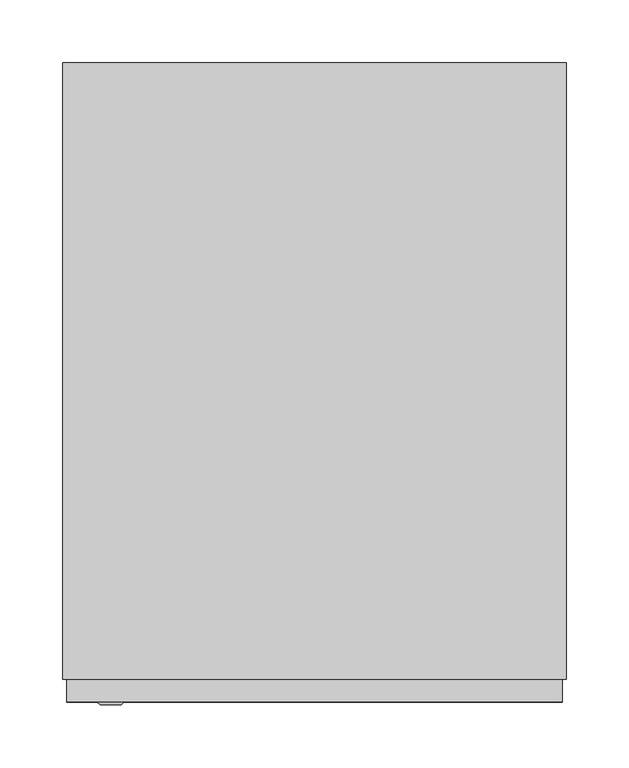
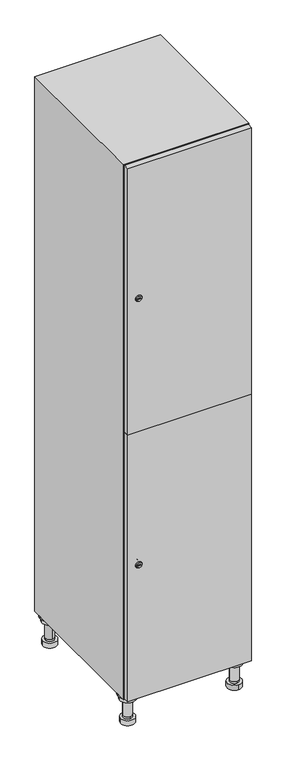
"""IFC4 building model written with IfcOpenShell, lengths in millimetres: furniture geometry."""

from ifc_helpers import new_model, si_unit, point, frame, frame_2d, origin, place, context, project, spatial, polyline, circle_curve, trimmed, segment, composite_curve, outline, extrude, faceted_brep, source, transform, mapped, element, save
from ifc_brep_helpers import plane_surface, cylinder_surface, revolved_surface, advanced_brep


def furniture_39a42976(model_context):
    return source(origin(), model_context, "Body", "SolidModel", [
        advanced_brep(
        [(170.0, -201.0, 22.0), (170.0, -201.5, 16.0), (170.0, -228.5, 16.0), (170.0, -229.0, 22.0), (156.0, -215.0, 22.0), (184.0, -215.0, 22.0), (170.0, -192.5, 16.0), (170.0, -237.5, 16.0), (170.0, -192.5, 0.0), (170.0, -237.5, 0.0), (184.0, -215.0, 78.0), (156.0, -215.0, 78.0), (195.0, -215.0, 78.0), (145.0, -215.0, 78.0), (200.0, -215.0, 94.0), (140.0, -215.0, 94.0), (145.0, -215.0, 94.0), (195.0, -215.0, 94.0), (200.0, -215.0, 100.0), (140.0, -215.0, 100.0)],
        [
            (0, 1),
            (1, 2, circle_curve(frame((170.0, -215.0, 16.0), z_axis=(0.0, 0.0, 1.0), x_axis=(0.0, -1.0, 0.0)), 13.5)),
            (2, 3),
            (3, 4, circle_curve(frame((170.0, -215.0, 22.0), z_axis=(0.0, 0.0, -1.0), x_axis=(0.0, -1.0, 0.0)), 14.0)),
            (4, 0, circle_curve(frame((170.0, -215.0, 22.0), z_axis=(0.0, 0.0, -1.0), x_axis=(0.0, -1.0, 0.0)), 14.0)),
            (0, 5, circle_curve(frame((170.0, -215.0, 22.0), z_axis=(0.0, 0.0, -1.0), x_axis=(0.0, 1.0, 0.0)), 14.0)),
            (5, 3, circle_curve(frame((170.0, -215.0, 22.0), z_axis=(0.0, 0.0, -1.0), x_axis=(0.0, 1.0, 0.0)), 14.0)),
            (2, 1, circle_curve(frame((170.0, -215.0, 16.0), z_axis=(0.0, 0.0, 1.0), x_axis=(0.0, 1.0, 0.0)), 13.5)),
            (6, 7, circle_curve(frame((170.0, -215.0, 16.0), z_axis=(0.0, 0.0, 1.0), x_axis=(0.0, -1.0, 0.0)), 22.5)),
            (7, 6, circle_curve(frame((170.0, -215.0, 16.0), z_axis=(0.0, 0.0, 1.0), x_axis=(0.0, -1.0, 0.0)), 22.5)),
            (8, 9, circle_curve(frame((170.0, -215.0, 0.0), z_axis=(0.0, 0.0, -1.0), x_axis=(0.0, -1.0, 0.0)), 22.5)),
            (9, 8, circle_curve(frame((170.0, -215.0, 0.0), z_axis=(0.0, 0.0, -1.0), x_axis=(0.0, -1.0, 0.0)), 22.5)),
            (6, 8),
            (9, 7),
            (5, 10),
            (10, 11, circle_curve(frame((170.0, -215.0, 78.0), z_axis=(0.0, 0.0, -1.0), x_axis=(-1.0, 0.0, 0.0)), 14.0)),
            (11, 4),
            (11, 10, circle_curve(frame((170.0, -215.0, 78.0), z_axis=(0.0, 0.0, -1.0), x_axis=(-1.0, 0.0, 0.0)), 14.0)),
            (12, 13, circle_curve(frame((170.0, -215.0, 78.0), z_axis=(0.0, 0.0, -1.0), x_axis=(-1.0, 0.0, 0.0)), 25.0)),
            (13, 12, circle_curve(frame((170.0, -215.0, 78.0), z_axis=(0.0, 0.0, -1.0), x_axis=(-1.0, 0.0, 0.0)), 25.0)),
            (14, 15, circle_curve(frame((170.0, -215.0, 94.0), z_axis=(0.0, 0.0, -1.0), x_axis=(-1.0, 0.0, 0.0)), 30.0)),
            (15, 14, circle_curve(frame((170.0, -215.0, 94.0), z_axis=(0.0, 0.0, -1.0), x_axis=(-1.0, 0.0, 0.0)), 30.0)),
            (16, 17, circle_curve(frame((170.0, -215.0, 94.0), z_axis=(0.0, 0.0, 1.0), x_axis=(-1.0, 0.0, 0.0)), 25.0)),
            (17, 16, circle_curve(frame((170.0, -215.0, 94.0), z_axis=(0.0, 0.0, 1.0), x_axis=(-1.0, 0.0, 0.0)), 25.0)),
            (18, 19, circle_curve(frame((170.0, -215.0, 100.0), z_axis=(0.0, 0.0, 1.0), x_axis=(-1.0, 0.0, 0.0)), 30.0)),
            (19, 18, circle_curve(frame((170.0, -215.0, 100.0), z_axis=(0.0, 0.0, 1.0), x_axis=(-1.0, 0.0, 0.0)), 30.0)),
            (14, 18),
            (19, 15),
            (12, 17),
            (16, 13),
        ],
        [
            revolved_surface(polyline([(170.0, -201.5, 16.0), (170.0, -201.0, 22.0)]), (170.0, -215.0, -146.0), (0.0, 0.0, 1.0)),
            plane_surface(frame((170.0, 0.0, 16.0), z_axis=(0.0, 0.0, 1.0), x_axis=(0.0, -1.0, 0.0))),
            plane_surface(frame((170.0, 0.0, 0.0), z_axis=(0.0, 0.0, -1.0), x_axis=(0.0, -1.0, 0.0))),
            cylinder_surface(frame((170.0, -215.0, 16.0), z_axis=(0.0, 0.0, 1.0), x_axis=(0.0, -1.0, 0.0)), 22.5),
            cylinder_surface(frame((170.0, -215.0, 22.0), z_axis=(0.0, 0.0, -1.0), x_axis=(-1.0, 0.0, 0.0)), 14.0),
            plane_surface(frame((170.0, 0.0, 78.0), z_axis=(0.0, 0.0, -1.0), x_axis=(0.0, -1.0, 0.0))),
            plane_surface(frame((170.0, 0.0, 94.0), z_axis=(0.0, 0.0, -1.0), x_axis=(0.0, -1.0, 0.0))),
            plane_surface(frame((170.0, 0.0, 100.0), z_axis=(0.0, 0.0, 1.0), x_axis=(0.0, -1.0, 0.0))),
            cylinder_surface(frame((170.0, -215.0, 94.0), z_axis=(0.0, 0.0, -1.0), x_axis=(-1.0, 0.0, 0.0)), 30.0),
            cylinder_surface(frame((170.0, -215.0, 78.0), z_axis=(0.0, 0.0, -1.0), x_axis=(-1.0, 0.0, 0.0)), 25.0),
        ],
        [
            (0, [[1, 2, 3, 4, 5]]),
            (0, [[-1, 6, 7, -3, 8]]),
            (1, [[9, 10], [-2, -8]]),
            (2, [[11, 12]]),
            (3, [[-9, 13, -12, 14]]),
            (3, [[-10, -14, -11, -13]]),
            (4, [[15, 16, 17, -4, -7]]),
            (4, [[-15, -6, -5, -17, 18]]),
            (5, [[19, 20], [-16, -18]]),
            (6, [[21, 22], [23, 24]]),
            (7, [[25, 26]]),
            (8, [[-21, 27, -26, 28]]),
            (8, [[-22, -28, -25, -27]]),
            (9, [[-19, 29, -23, 30]]),
            (9, [[-20, -30, -24, -29]]),
        ],
    ),
        advanced_brep(
        [(-170.0, -201.0, 22.0), (-170.0, -201.5, 16.0), (-170.0, -228.5, 16.0), (-170.0, -229.0, 22.0), (-184.0, -215.0, 22.0), (-156.0, -215.0, 22.0), (-147.5, -215.0, 0.0), (-192.5, -215.0, 0.0), (-147.5, -215.0, 16.0), (-192.5, -215.0, 16.0), (-156.0, -215.0, 78.0), (-184.0, -215.0, 78.0), (-145.0, -215.0, 78.0), (-195.0, -215.0, 78.0), (-140.0, -215.0, 94.0), (-200.0, -215.0, 94.0), (-195.0, -215.0, 94.0), (-145.0, -215.0, 94.0), (-140.0, -215.0, 100.0), (-200.0, -215.0, 100.0)],
        [
            (0, 1),
            (1, 2, circle_curve(frame((-170.0, -215.0, 16.0), z_axis=(0.0, 0.0, 1.0), x_axis=(0.0, -1.0, 0.0)), 13.5)),
            (2, 3),
            (3, 4, circle_curve(frame((-170.0, -215.0, 22.0), z_axis=(0.0, 0.0, -1.0), x_axis=(0.0, -1.0, 0.0)), 14.0)),
            (4, 0, circle_curve(frame((-170.0, -215.0, 22.0), z_axis=(0.0, 0.0, -1.0), x_axis=(0.0, -1.0, 0.0)), 14.0)),
            (0, 5, circle_curve(frame((-170.0, -215.0, 22.0), z_axis=(0.0, 0.0, -1.0), x_axis=(0.0, 1.0, 0.0)), 14.0)),
            (5, 3, circle_curve(frame((-170.0, -215.0, 22.0), z_axis=(0.0, 0.0, -1.0), x_axis=(0.0, 1.0, 0.0)), 14.0)),
            (2, 1, circle_curve(frame((-170.0, -215.0, 16.0), z_axis=(0.0, 0.0, 1.0), x_axis=(0.0, 1.0, 0.0)), 13.5)),
            (6, 7, circle_curve(frame((-170.0, -215.0, 0.0), z_axis=(0.0, 0.0, -1.0), x_axis=(-1.0, 0.0, 0.0)), 22.5)),
            (7, 6, circle_curve(frame((-170.0, -215.0, 0.0), z_axis=(0.0, 0.0, -1.0), x_axis=(-1.0, 0.0, 0.0)), 22.5)),
            (8, 9, circle_curve(frame((-170.0, -215.0, 16.0), z_axis=(0.0, 0.0, 1.0), x_axis=(-1.0, 0.0, 0.0)), 22.5)),
            (9, 8, circle_curve(frame((-170.0, -215.0, 16.0), z_axis=(0.0, 0.0, 1.0), x_axis=(-1.0, 0.0, 0.0)), 22.5)),
            (6, 8),
            (9, 7),
            (5, 10),
            (10, 11, circle_curve(frame((-170.0, -215.0, 78.0), z_axis=(0.0, 0.0, -1.0), x_axis=(-1.0, 0.0, 0.0)), 14.0)),
            (11, 4),
            (11, 10, circle_curve(frame((-170.0, -215.0, 78.0), z_axis=(0.0, 0.0, -1.0), x_axis=(-1.0, 0.0, 0.0)), 14.0)),
            (12, 13, circle_curve(frame((-170.0, -215.0, 78.0), z_axis=(0.0, 0.0, -1.0), x_axis=(-1.0, 0.0, 0.0)), 25.0)),
            (13, 12, circle_curve(frame((-170.0, -215.0, 78.0), z_axis=(0.0, 0.0, -1.0), x_axis=(-1.0, 0.0, 0.0)), 25.0)),
            (14, 15, circle_curve(frame((-170.0, -215.0, 94.0), z_axis=(0.0, 0.0, -1.0), x_axis=(-1.0, 0.0, 0.0)), 30.0)),
            (15, 14, circle_curve(frame((-170.0, -215.0, 94.0), z_axis=(0.0, 0.0, -1.0), x_axis=(-1.0, 0.0, 0.0)), 30.0)),
            (16, 17, circle_curve(frame((-170.0, -215.0, 94.0), z_axis=(0.0, 0.0, 1.0), x_axis=(-1.0, 0.0, 0.0)), 25.0)),
            (17, 16, circle_curve(frame((-170.0, -215.0, 94.0), z_axis=(0.0, 0.0, 1.0), x_axis=(-1.0, 0.0, 0.0)), 25.0)),
            (18, 19, circle_curve(frame((-170.0, -215.0, 100.0), z_axis=(0.0, 0.0, 1.0), x_axis=(-1.0, 0.0, 0.0)), 30.0)),
            (19, 18, circle_curve(frame((-170.0, -215.0, 100.0), z_axis=(0.0, 0.0, 1.0), x_axis=(-1.0, 0.0, 0.0)), 30.0)),
            (14, 18),
            (19, 15),
            (12, 17),
            (16, 13),
        ],
        [
            revolved_surface(polyline([(-170.0, -201.5, 16.0), (-170.0, -201.0, 22.0)]), (-170.0, -215.0, -146.0), (0.0, 0.0, 1.0)),
            plane_surface(frame((-170.0, 0.0, 0.0), z_axis=(0.0, 0.0, -1.0), x_axis=(0.0, -1.0, 0.0))),
            plane_surface(frame((-170.0, 0.0, 16.0), z_axis=(0.0, 0.0, 1.0), x_axis=(0.0, -1.0, 0.0))),
            cylinder_surface(frame((-170.0, -215.0, 0.0), z_axis=(0.0, 0.0, -1.0), x_axis=(-1.0, 0.0, 0.0)), 22.5),
            cylinder_surface(frame((-170.0, -215.0, 22.0), z_axis=(0.0, 0.0, -1.0), x_axis=(-1.0, 0.0, 0.0)), 14.0),
            plane_surface(frame((-170.0, 0.0, 78.0), z_axis=(0.0, 0.0, -1.0), x_axis=(0.0, -1.0, 0.0))),
            plane_surface(frame((-170.0, 0.0, 94.0), z_axis=(0.0, 0.0, -1.0), x_axis=(0.0, -1.0, 0.0))),
            plane_surface(frame((-170.0, 0.0, 100.0), z_axis=(0.0, 0.0, 1.0), x_axis=(0.0, -1.0, 0.0))),
            cylinder_surface(frame((-170.0, -215.0, 94.0), z_axis=(0.0, 0.0, -1.0), x_axis=(-1.0, 0.0, 0.0)), 30.0),
            cylinder_surface(frame((-170.0, -215.0, 78.0), z_axis=(0.0, 0.0, -1.0), x_axis=(-1.0, 0.0, 0.0)), 25.0),
        ],
        [
            (0, [[1, 2, 3, 4, 5]]),
            (0, [[-1, 6, 7, -3, 8]]),
            (1, [[9, 10]]),
            (2, [[11, 12], [-2, -8]]),
            (3, [[-9, 13, -12, 14]]),
            (3, [[-10, -14, -11, -13]]),
            (4, [[15, 16, 17, -4, -7]]),
            (4, [[-15, -6, -5, -17, 18]]),
            (5, [[19, 20], [-16, -18]]),
            (6, [[21, 22], [23, 24]]),
            (7, [[25, 26]]),
            (8, [[-21, 27, -26, 28]]),
            (8, [[-22, -28, -25, -27]]),
            (9, [[-19, 29, -23, 30]]),
            (9, [[-20, -30, -24, -29]]),
        ],
    ),
        advanced_brep(
        [(183.5, 215.0, 16.0), (184.0, 215.0, 22.0), (156.0, 215.0, 22.0), (156.5, 215.0, 16.0), (192.5, 215.0, 0.0), (147.5, 215.0, 0.0), (192.5, 215.0, 16.0), (147.5, 215.0, 16.0), (184.0, 215.0, 78.0), (156.0, 215.0, 78.0), (195.0, 215.0, 78.0), (145.0, 215.0, 78.0), (200.0, 215.0, 94.0), (140.0, 215.0, 94.0), (145.0, 215.0, 94.0), (195.0, 215.0, 94.0), (200.0, 215.0, 100.0), (140.0, 215.0, 100.0)],
        [
            (0, 1),
            (1, 2, circle_curve(frame((170.0, 215.0, 22.0), z_axis=(0.0, 0.0, -1.0), x_axis=(-1.0, 0.0, 0.0)), 14.0)),
            (2, 3),
            (3, 0, circle_curve(frame((170.0, 215.0, 16.0), z_axis=(0.0, 0.0, 1.0), x_axis=(-1.0, 0.0, 0.0)), 13.5)),
            (0, 3, circle_curve(frame((170.0, 215.0, 16.0), z_axis=(0.0, 0.0, 1.0), x_axis=(1.0, 0.0, 0.0)), 13.5)),
            (2, 1, circle_curve(frame((170.0, 215.0, 22.0), z_axis=(0.0, 0.0, -1.0), x_axis=(1.0, 0.0, 0.0)), 14.0)),
            (4, 5, circle_curve(frame((170.0, 215.0, 0.0), z_axis=(0.0, 0.0, -1.0), x_axis=(-1.0, 0.0, 0.0)), 22.5)),
            (5, 4, circle_curve(frame((170.0, 215.0, 0.0), z_axis=(0.0, 0.0, -1.0), x_axis=(-1.0, 0.0, 0.0)), 22.5)),
            (6, 7, circle_curve(frame((170.0, 215.0, 16.0), z_axis=(0.0, 0.0, 1.0), x_axis=(-1.0, 0.0, 0.0)), 22.5)),
            (7, 6, circle_curve(frame((170.0, 215.0, 16.0), z_axis=(0.0, 0.0, 1.0), x_axis=(-1.0, 0.0, 0.0)), 22.5)),
            (4, 6),
            (7, 5),
            (1, 8),
            (8, 9, circle_curve(frame((170.0, 215.0, 78.0), z_axis=(0.0, 0.0, -1.0), x_axis=(-1.0, 0.0, 0.0)), 14.0)),
            (9, 2),
            (9, 8, circle_curve(frame((170.0, 215.0, 78.0), z_axis=(0.0, 0.0, -1.0), x_axis=(-1.0, 0.0, 0.0)), 14.0)),
            (10, 11, circle_curve(frame((170.0, 215.0, 78.0), z_axis=(0.0, 0.0, -1.0), x_axis=(-1.0, 0.0, 0.0)), 25.0)),
            (11, 10, circle_curve(frame((170.0, 215.0, 78.0), z_axis=(0.0, 0.0, -1.0), x_axis=(-1.0, 0.0, 0.0)), 25.0)),
            (12, 13, circle_curve(frame((170.0, 215.0, 94.0), z_axis=(0.0, 0.0, -1.0), x_axis=(-1.0, 0.0, 0.0)), 30.0)),
            (13, 12, circle_curve(frame((170.0, 215.0, 94.0), z_axis=(0.0, 0.0, -1.0), x_axis=(-1.0, 0.0, 0.0)), 30.0)),
            (14, 15, circle_curve(frame((170.0, 215.0, 94.0), z_axis=(0.0, 0.0, 1.0), x_axis=(-1.0, 0.0, 0.0)), 25.0)),
            (15, 14, circle_curve(frame((170.0, 215.0, 94.0), z_axis=(0.0, 0.0, 1.0), x_axis=(-1.0, 0.0, 0.0)), 25.0)),
            (16, 17, circle_curve(frame((170.0, 215.0, 100.0), z_axis=(0.0, 0.0, 1.0), x_axis=(-1.0, 0.0, 0.0)), 30.0)),
            (17, 16, circle_curve(frame((170.0, 215.0, 100.0), z_axis=(0.0, 0.0, 1.0), x_axis=(-1.0, 0.0, 0.0)), 30.0)),
            (12, 16),
            (17, 13),
            (10, 15),
            (14, 11),
        ],
        [
            revolved_surface(polyline([(183.5, 215.0, 16.0), (184.0, 215.0, 22.0)]), (170.0, 215.0, -146.0), (0.0, 0.0, 1.0)),
            plane_surface(frame((170.0, 0.0, 0.0), z_axis=(0.0, 0.0, -1.0), x_axis=(0.0, -1.0, 0.0))),
            plane_surface(frame((170.0, 0.0, 16.0), z_axis=(0.0, 0.0, 1.0), x_axis=(0.0, -1.0, 0.0))),
            cylinder_surface(frame((170.0, 215.0, 0.0), z_axis=(0.0, 0.0, -1.0), x_axis=(-1.0, 0.0, 0.0)), 22.5),
            cylinder_surface(frame((170.0, 215.0, 22.0), z_axis=(0.0, 0.0, -1.0), x_axis=(-1.0, 0.0, 0.0)), 14.0),
            plane_surface(frame((170.0, 0.0, 78.0), z_axis=(0.0, 0.0, -1.0), x_axis=(0.0, -1.0, 0.0))),
            plane_surface(frame((170.0, 0.0, 94.0), z_axis=(0.0, 0.0, -1.0), x_axis=(0.0, -1.0, 0.0))),
            plane_surface(frame((170.0, 0.0, 100.0), z_axis=(0.0, 0.0, 1.0), x_axis=(0.0, -1.0, 0.0))),
            cylinder_surface(frame((170.0, 215.0, 94.0), z_axis=(0.0, 0.0, -1.0), x_axis=(-1.0, 0.0, 0.0)), 30.0),
            cylinder_surface(frame((170.0, 215.0, 78.0), z_axis=(0.0, 0.0, -1.0), x_axis=(-1.0, 0.0, 0.0)), 25.0),
        ],
        [
            (0, [[1, 2, 3, 4]]),
            (0, [[-1, 5, -3, 6]]),
            (1, [[7, 8]]),
            (2, [[9, 10], [-4, -5]]),
            (3, [[-7, 11, -10, 12]]),
            (3, [[-8, -12, -9, -11]]),
            (4, [[13, 14, 15, -2]]),
            (4, [[-13, -6, -15, 16]]),
            (5, [[17, 18], [-14, -16]]),
            (6, [[19, 20], [21, 22]]),
            (7, [[23, 24]]),
            (8, [[-19, 25, -24, 26]]),
            (8, [[-20, -26, -23, -25]]),
            (9, [[-17, 27, -21, 28]]),
            (9, [[-18, -28, -22, -27]]),
        ],
    ),
        advanced_brep(
        [(-156.5, 215.0, 16.0), (-156.0, 215.0, 22.0), (-170.0, 201.0, 22.0), (-184.0, 215.0, 22.0), (-183.5, 215.0, 16.0), (-170.0, 229.0, 22.0), (-147.5, 215.0, 0.0), (-192.5, 215.0, 0.0), (-147.5, 215.0, 16.0), (-192.5, 215.0, 16.0), (-170.0, 229.0, 78.0), (-170.0, 201.0, 78.0), (-145.0, 215.0, 78.0), (-195.0, 215.0, 78.0), (-140.0, 215.0, 94.0), (-200.0, 215.0, 94.0), (-195.0, 215.0, 94.0), (-145.0, 215.0, 94.0), (-140.0, 215.0, 100.0), (-200.0, 215.0, 100.0)],
        [
            (0, 1),
            (1, 2, circle_curve(frame((-170.0, 215.0, 22.0), z_axis=(0.0, 0.0, -1.0), x_axis=(-1.0, 0.0, 0.0)), 14.0)),
            (2, 3, circle_curve(frame((-170.0, 215.0, 22.0), z_axis=(0.0, 0.0, -1.0), x_axis=(-1.0, 0.0, 0.0)), 14.0)),
            (3, 4),
            (4, 0, circle_curve(frame((-170.0, 215.0, 16.0), z_axis=(0.0, 0.0, 1.0), x_axis=(-1.0, 0.0, 0.0)), 13.5)),
            (0, 4, circle_curve(frame((-170.0, 215.0, 16.0), z_axis=(0.0, 0.0, 1.0), x_axis=(1.0, 0.0, 0.0)), 13.5)),
            (3, 5, circle_curve(frame((-170.0, 215.0, 22.0), z_axis=(0.0, 0.0, -1.0), x_axis=(1.0, 0.0, 0.0)), 14.0)),
            (5, 1, circle_curve(frame((-170.0, 215.0, 22.0), z_axis=(0.0, 0.0, -1.0), x_axis=(1.0, 0.0, 0.0)), 14.0)),
            (6, 7, circle_curve(frame((-170.0, 215.0, 0.0), z_axis=(0.0, 0.0, -1.0), x_axis=(-1.0, 0.0, 0.0)), 22.5)),
            (7, 6, circle_curve(frame((-170.0, 215.0, 0.0), z_axis=(0.0, 0.0, -1.0), x_axis=(-1.0, 0.0, 0.0)), 22.5)),
            (8, 9, circle_curve(frame((-170.0, 215.0, 16.0), z_axis=(0.0, 0.0, 1.0), x_axis=(-1.0, 0.0, 0.0)), 22.5)),
            (9, 8, circle_curve(frame((-170.0, 215.0, 16.0), z_axis=(0.0, 0.0, 1.0), x_axis=(-1.0, 0.0, 0.0)), 22.5)),
            (6, 8),
            (9, 7),
            (10, 5),
            (2, 11),
            (11, 10, circle_curve(frame((-170.0, 215.0, 78.0), z_axis=(0.0, 0.0, -1.0), x_axis=(0.0, -1.0, 0.0)), 14.0)),
            (10, 11, circle_curve(frame((-170.0, 215.0, 78.0), z_axis=(0.0, 0.0, -1.0), x_axis=(0.0, -1.0, 0.0)), 14.0)),
            (12, 13, circle_curve(frame((-170.0, 215.0, 78.0), z_axis=(0.0, 0.0, -1.0), x_axis=(-1.0, 0.0, 0.0)), 25.0)),
            (13, 12, circle_curve(frame((-170.0, 215.0, 78.0), z_axis=(0.0, 0.0, -1.0), x_axis=(-1.0, 0.0, 0.0)), 25.0)),
            (14, 15, circle_curve(frame((-170.0, 215.0, 94.0), z_axis=(0.0, 0.0, -1.0), x_axis=(-1.0, 0.0, 0.0)), 30.0)),
            (15, 14, circle_curve(frame((-170.0, 215.0, 94.0), z_axis=(0.0, 0.0, -1.0), x_axis=(-1.0, 0.0, 0.0)), 30.0)),
            (16, 17, circle_curve(frame((-170.0, 215.0, 94.0), z_axis=(0.0, 0.0, 1.0), x_axis=(-1.0, 0.0, 0.0)), 25.0)),
            (17, 16, circle_curve(frame((-170.0, 215.0, 94.0), z_axis=(0.0, 0.0, 1.0), x_axis=(-1.0, 0.0, 0.0)), 25.0)),
            (18, 19, circle_curve(frame((-170.0, 215.0, 100.0), z_axis=(0.0, 0.0, 1.0), x_axis=(-1.0, 0.0, 0.0)), 30.0)),
            (19, 18, circle_curve(frame((-170.0, 215.0, 100.0), z_axis=(0.0, 0.0, 1.0), x_axis=(-1.0, 0.0, 0.0)), 30.0)),
            (14, 18),
            (19, 15),
            (12, 17),
            (16, 13),
        ],
        [
            revolved_surface(polyline([(-156.5, 215.0, 16.0), (-156.0, 215.0, 22.0)]), (-170.0, 215.0, -146.0), (0.0, 0.0, 1.0)),
            plane_surface(frame((-170.0, 0.0, 0.0), z_axis=(0.0, 0.0, -1.0), x_axis=(0.0, -1.0, 0.0))),
            plane_surface(frame((-170.0, 0.0, 16.0), z_axis=(0.0, 0.0, 1.0), x_axis=(0.0, -1.0, 0.0))),
            cylinder_surface(frame((-170.0, 215.0, 0.0), z_axis=(0.0, 0.0, -1.0), x_axis=(-1.0, 0.0, 0.0)), 22.5),
            cylinder_surface(frame((-170.0, 215.0, 78.0), z_axis=(0.0, 0.0, 1.0), x_axis=(0.0, -1.0, 0.0)), 14.0),
            plane_surface(frame((-170.0, 0.0, 78.0), z_axis=(0.0, 0.0, -1.0), x_axis=(0.0, -1.0, 0.0))),
            plane_surface(frame((-170.0, 0.0, 94.0), z_axis=(0.0, 0.0, -1.0), x_axis=(0.0, -1.0, 0.0))),
            plane_surface(frame((-170.0, 0.0, 100.0), z_axis=(0.0, 0.0, 1.0), x_axis=(0.0, -1.0, 0.0))),
            cylinder_surface(frame((-170.0, 215.0, 94.0), z_axis=(0.0, 0.0, -1.0), x_axis=(-1.0, 0.0, 0.0)), 30.0),
            cylinder_surface(frame((-170.0, 215.0, 78.0), z_axis=(0.0, 0.0, -1.0), x_axis=(-1.0, 0.0, 0.0)), 25.0),
        ],
        [
            (0, [[1, 2, 3, 4, 5]]),
            (0, [[-1, 6, -4, 7, 8]]),
            (1, [[9, 10]]),
            (2, [[11, 12], [-5, -6]]),
            (3, [[-9, 13, -12, 14]]),
            (3, [[-10, -14, -11, -13]]),
            (4, [[15, -7, -3, 16, 17]]),
            (4, [[-15, 18, -16, -2, -8]]),
            (5, [[19, 20], [-17, -18]]),
            (6, [[21, 22], [23, 24]]),
            (7, [[25, 26]]),
            (8, [[-21, 27, -26, 28]]),
            (8, [[-22, -28, -25, -27]]),
            (9, [[-19, 29, -23, 30]]),
            (9, [[-20, -30, -24, -29]]),
        ],
    ),
        extrude(outline(composite_curve([segment(trimmed(circle_curve(frame_2d((551.5, -188.7989466)), 7.0), [point((558.5, -188.7989466))], [point((544.5, -188.7989466))], False, "CARTESIAN"), True, "CONTINUOUS"), segment(polyline([(544.5, -188.7989466), (544.5, -160.7989466)]), True, "CONTINUOUS"), segment(trimmed(circle_curve(frame_2d((551.5, -160.7989466)), 7.0), [point((544.5, -160.7989466))], [point((558.5, -160.7989466))], False, "CARTESIAN"), True, "CONTINUOUS"), segment(polyline([(558.5, -160.7989466), (558.5, -188.7989466)]), True, "CONTINUOUS")], self_intersect=False)), frame((0.0, -245.0, 0.0), z_axis=(0.0, 1.0, 0.0), x_axis=(0.0, 0.0, 1.0)), (0.0, 0.0, 1.0), 2.0),
        advanced_brep(
        [(-153.5, -265.2, 551.5), (-170.5, -265.2, 551.5), (-167.0, -265.2, 550.25), (-167.0, -265.2, 552.75), (-157.0, -265.2, 552.75), (-157.0, -265.2, 550.25), (-151.5, -263.0, 551.5), (-172.5, -263.0, 551.5), (-167.0, -263.0, 552.75), (-167.0, -263.0, 550.25), (-157.0, -263.0, 550.25), (-157.0, -263.0, 552.75)],
        [
            (0, 1, circle_curve(frame((-162.0, -265.2, 551.5), z_axis=(0.0, -1.0, 0.0), x_axis=(1.0, 0.0, 0.0)), 8.5)),
            (1, 0, circle_curve(frame((-162.0, -265.2, 551.5), z_axis=(0.0, -1.0, 0.0), x_axis=(-1.0, 0.0, 0.0)), 8.5)),
            (2, 3),
            (3, 4),
            (4, 5),
            (5, 2),
            (6, 7, circle_curve(frame((-162.0, -263.0, 551.5), z_axis=(0.0, 1.0, 0.0), x_axis=(-1.0, 0.0, 0.0)), 10.5)),
            (7, 6, circle_curve(frame((-162.0, -263.0, 551.5), z_axis=(0.0, 1.0, 0.0), x_axis=(1.0, 0.0, 0.0)), 10.5)),
            (8, 9),
            (9, 10),
            (10, 11),
            (11, 8),
            (0, 6),
            (7, 1),
            (8, 3),
            (2, 9),
            (11, 4),
            (10, 5),
        ],
        [
            plane_surface(frame((-162.0, -265.2, 551.5), z_axis=(0.0, -1.0, 0.0), x_axis=(0.0, 0.0, 1.0))),
            plane_surface(frame((-162.0, -263.0, 551.5), z_axis=(0.0, 1.0, 0.0), x_axis=(0.0, 0.0, 1.0))),
            revolved_surface(polyline([(-153.5, -265.2, 551.5), (-151.5, -263.0, 551.5)]), (-162.0, -274.55, 551.5), (0.0, 1.0, 0.0)),
            revolved_surface(polyline([(-170.5, -265.2, 551.5), (-172.5, -263.0, 551.5)]), (-162.0, -274.55, 551.5), (0.0, 1.0, 0.0)),
            plane_surface(frame((-167.0, -263.0, 550.25), z_axis=(1.0, 0.0, 0.0), x_axis=(0.0, -1.0, 0.0))),
            plane_surface(frame((-167.0, -263.0, 552.75), z_axis=(0.0, 0.0, -1.0), x_axis=(0.0, -1.0, 0.0))),
            plane_surface(frame((-157.0, -263.0, 552.75), z_axis=(-1.0, 0.0, 0.0), x_axis=(0.0, -1.0, 0.0))),
            plane_surface(frame((-157.0, -263.0, 550.25), z_axis=(0.0, 0.0, 1.0), x_axis=(0.0, -1.0, 0.0))),
        ],
        [
            (0, [[1, 2], [3, 4, 5, 6]]),
            (1, [[7, 8], [9, 10, 11, 12]]),
            (2, [[-1, 13, -8, 14]]),
            (3, [[-2, -14, -7, -13]]),
            (4, [[15, -3, 16, -9]]),
            (5, [[-15, -12, 17, -4]]),
            (6, [[-17, -11, 18, -5]]),
            (7, [[-16, -6, -18, -10]]),
        ],
    ),
        extrude(outline(composite_curve([segment(trimmed(circle_curve(frame_2d((1448.5, -188.7989466)), 7.0), [point((1455.5, -188.7989466))], [point((1441.5, -188.7989466))], False, "CARTESIAN"), True, "CONTINUOUS"), segment(polyline([(1441.5, -188.7989466), (1441.5, -160.7989466)]), True, "CONTINUOUS"), segment(trimmed(circle_curve(frame_2d((1448.5, -160.7989466)), 7.0), [point((1441.5, -160.7989466))], [point((1455.5, -160.7989466))], False, "CARTESIAN"), True, "CONTINUOUS"), segment(polyline([(1455.5, -160.7989466), (1455.5, -188.7989466)]), True, "CONTINUOUS")], self_intersect=False)), frame((0.0, -245.0, 0.0), z_axis=(0.0, 1.0, 0.0), x_axis=(0.0, 0.0, 1.0)), (0.0, 0.0, 1.0), 2.0),
        advanced_brep(
        [(-153.5, -265.2, 1448.5), (-170.5, -265.2, 1448.5), (-167.0, -265.2, 1447.25), (-167.0, -265.2, 1449.75), (-157.0, -265.2, 1449.75), (-157.0, -265.2, 1447.25), (-151.5, -263.0, 1448.5), (-172.5, -263.0, 1448.5), (-167.0, -263.0, 1449.75), (-167.0, -263.0, 1447.25), (-157.0, -263.0, 1447.25), (-157.0, -263.0, 1449.75)],
        [
            (0, 1, circle_curve(frame((-162.0, -265.2, 1448.5), z_axis=(0.0, -1.0, 0.0), x_axis=(1.0, 0.0, 0.0)), 8.5)),
            (1, 0, circle_curve(frame((-162.0, -265.2, 1448.5), z_axis=(0.0, -1.0, 0.0), x_axis=(-1.0, 0.0, 0.0)), 8.5)),
            (2, 3),
            (3, 4),
            (4, 5),
            (5, 2),
            (6, 7, circle_curve(frame((-162.0, -263.0, 1448.5), z_axis=(0.0, 1.0, 0.0), x_axis=(-1.0, 0.0, 0.0)), 10.5)),
            (7, 6, circle_curve(frame((-162.0, -263.0, 1448.5), z_axis=(0.0, 1.0, 0.0), x_axis=(1.0, 0.0, 0.0)), 10.5)),
            (8, 9),
            (9, 10),
            (10, 11),
            (11, 8),
            (0, 6),
            (7, 1),
            (8, 3),
            (2, 9),
            (11, 4),
            (10, 5),
        ],
        [
            plane_surface(frame((-162.0, -265.2, 1448.5), z_axis=(0.0, -1.0, 0.0), x_axis=(0.0, 0.0, 1.0))),
            plane_surface(frame((-162.0, -263.0, 1448.5), z_axis=(0.0, 1.0, 0.0), x_axis=(0.0, 0.0, 1.0))),
            revolved_surface(polyline([(-153.5, -265.2, 1448.5), (-151.5, -263.0, 1448.5)]), (-162.0, -274.55, 1448.5), (0.0, 1.0, 0.0)),
            revolved_surface(polyline([(-170.5, -265.2, 1448.5), (-172.5, -263.0, 1448.5)]), (-162.0, -274.55, 1448.5), (0.0, 1.0, 0.0)),
            plane_surface(frame((-167.0, -263.0, 1447.25), z_axis=(1.0, 0.0, 0.0), x_axis=(0.0, -1.0, 0.0))),
            plane_surface(frame((-167.0, -263.0, 1449.75), z_axis=(0.0, 0.0, -1.0), x_axis=(0.0, -1.0, 0.0))),
            plane_surface(frame((-157.0, -263.0, 1449.75), z_axis=(-1.0, 0.0, 0.0), x_axis=(0.0, -1.0, 0.0))),
            plane_surface(frame((-157.0, -263.0, 1447.25), z_axis=(0.0, 0.0, 1.0), x_axis=(0.0, -1.0, 0.0))),
        ],
        [
            (0, [[1, 2], [3, 4, 5, 6]]),
            (1, [[7, 8], [9, 10, 11, 12]]),
            (2, [[-1, 13, -8, 14]]),
            (3, [[-2, -14, -7, -13]]),
            (4, [[15, -3, 16, -9]]),
            (5, [[-15, -12, 17, -4]]),
            (6, [[-17, -11, 18, -5]]),
            (7, [[-16, -6, -18, -10]]),
        ],
    ),
        extrude(outline(polyline([(-197.0, -263.0), (-197.0, -245.0), (197.0, -245.0), (197.0, -263.0), (-197.0, -263.0)])), frame((0.0, 0.0, 103.0), z_axis=(0.0, 0.0, 1.0), x_axis=(1.0, 0.0, 0.0)), (0.0, 0.0, 1.0), 896.5),
        extrude(outline(polyline([(197.0, -245.0), (197.0, -263.0), (-197.0, -263.0), (-197.0, -245.0), (197.0, -245.0)])), frame((0.0, 0.0, 1000.5), z_axis=(0.0, 0.0, 1.0), x_axis=(1.0, 0.0, 0.0)), (0.0, 0.0, 1.0), 896.5),
        extrude(outline(polyline([(182.0, 227.0), (182.0, -227.0), (-182.0, -227.0), (-182.0, 227.0), (182.0, 227.0)])), frame((0.0, 0.0, 991.0), z_axis=(0.0, 0.0, 1.0), x_axis=(1.0, 0.0, 0.0)), (0.0, 0.0, 1.0), 18.0),
        faceted_brep([(200.0, -245.0, 100.0), (200.0, -245.0, 1900.0), (-200.0, -245.0, 1900.0), (-200.0, -245.0, 100.0), (182.0, -245.0, 1882.0), (182.0, -245.0, 118.0), (-182.0, -245.0, 118.0), (-182.0, -245.0, 1882.0), (200.0, 245.0, 100.0), (-200.0, 245.0, 100.0), (200.0, 245.0, 1900.0), (-200.0, 245.0, 1900.0), (182.0, 227.0, 1882.0), (182.0, 227.0, 118.0), (-200.0, 245.0, 1882.0), (-182.0, 227.0, 1882.0), (-182.0, 227.0, 118.0)], [[[0, 1, 2, 3], [4, 5, 6, 7]], [[8, 0, 3, 9]], [[1, 0, 8, 10]], [[1, 10, 11, 2]], [[4, 12, 13, 5]], [[9, 3, 2, 11, 14]], [[10, 8, 9, 14, 11]], [[12, 15, 16, 13]], [[15, 7, 6, 16]], [[4, 7, 15, 12]], [[6, 5, 13, 16]]]),
    ])


if __name__ == "__main__":
    model = new_model("IFC4")
    model_context = context("Model", 3, world=origin())
    ifc_project = project(units=[si_unit("LENGTHUNIT", "METRE", prefix="MILLI")], contexts=[model_context])
    site = spatial("IfcSite", under=ifc_project)
    building = spatial("IfcBuilding", under=site)
    placement = place(None, origin())
    furniture_shape = furniture_39a42976(model_context)
    element("IfcFurniture", 1, at=placement, inside=building, context=model_context, shape_type="MappedRepresentation", body=[
        mapped(furniture_shape, transform((0.0, 0.0, 0.0), x_axis=(1.0, 0.0, 0.0), y_axis=(0.0, 1.0, 0.0), z_axis=(0.0, 0.0, 1.0))),
    ])
    save(model, "model.ifc")
